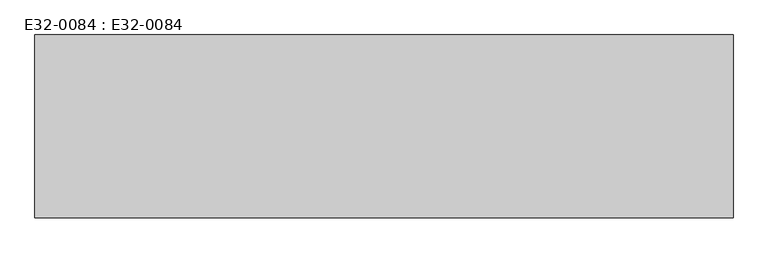
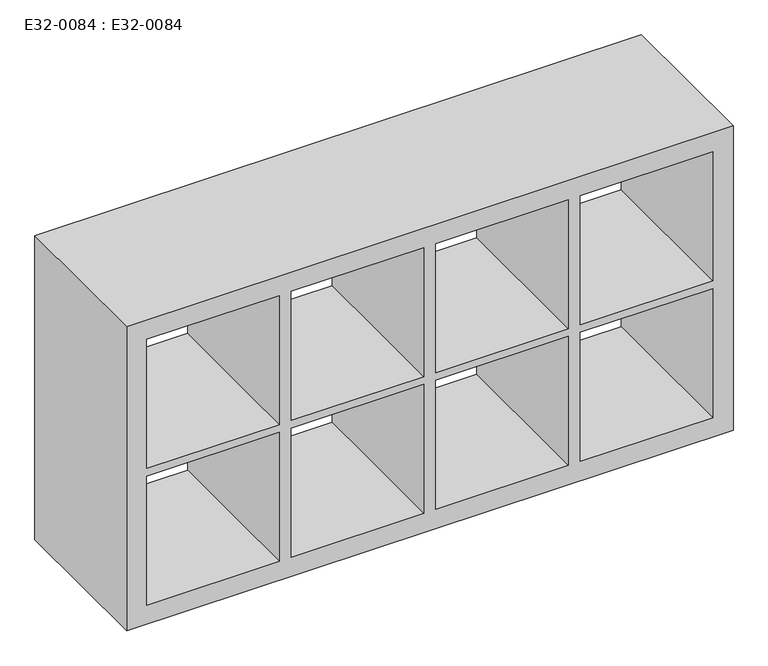
"""IFC4 building model written with IfcOpenShell, lengths in millimetres: furniture geometry, E32-0084 : E32-0084."""

import ifcopenshell
import ifcopenshell.guid

model = None  # the IFC model being written
_history = None  # IfcOwnerHistory: only IFC2X3 demands one
_inside = {}  # id of a spatial element -> (the spatial element, [elements in it])
_under = {}  # id of a project, library or spatial element -> (it, [spatial elements below it])
_declared = {}  # id of a project -> (the project, [libraries it declares])
_typed = {}  # id of a type object -> (the type object, [elements of that type])
_made_of = {}  # id of a material, layer set ... -> (it, [elements and type objects made of it])


def new_model(schema):
    """Start an empty IFC model of exactly this schema.

    Asked for "IFC4X3", IfcOpenShell would pick the latest addendum, in which some entities
    have other attributes; the version numbers below select the first issue.
    IFC2X3 requires an IfcOwnerHistory on every rooted entity: one is made here for all.
    """
    global model, _history
    if schema == "IFC4X3":
        model = ifcopenshell.file(schema_version=(4, 3, 0, 0))
    else:
        model = ifcopenshell.file(schema=schema)
    _inside.clear()
    _under.clear()
    _declared.clear()
    _typed.clear()
    _made_of.clear()
    _history = None
    if model.schema == "IFC2X3":
        org = make("IfcOrganization", Name="unknown")
        user = make(
            "IfcPersonAndOrganization",
            ThePerson=make("IfcPerson", FamilyName="unknown"),
            TheOrganization=org,
        )
        app = make(
            "IfcApplication",
            ApplicationDeveloper=org,
            Version="unknown",
            ApplicationFullName="unknown",
            ApplicationIdentifier="unknown",
        )
        _history = make(
            "IfcOwnerHistory",
            OwningUser=user,
            OwningApplication=app,
            ChangeAction="ADDED",
            CreationDate=0,
        )
    return model


def make(cls, **values):
    """One entity of the class cls with the attributes given. An attribute that is None is left unset."""
    return model.create_entity(
        cls, **{name: value for name, value in values.items() if value is not None}
    )


def rooted(cls, **values):
    """An entity with a GlobalId (a new one), such as an element, a storey or a relation."""
    return make(cls, GlobalId=ifcopenshell.guid.new(), OwnerHistory=_history, **values)


def si_unit(unit_type, name, prefix=None):
    """IfcSIUnit, for example si_unit("LENGTHUNIT", "METRE", prefix="MILLI")."""
    return make("IfcSIUnit", UnitType=unit_type, Prefix=prefix, Name=name)


def assignment(units):
    """IfcUnitAssignment: the units of a project."""
    return None if units is None else make("IfcUnitAssignment", Units=units)


def point(xyz):
    """IfcCartesianPoint."""
    return None if xyz is None else make("IfcCartesianPoint", Coordinates=xyz)


def direction(xyz):
    """IfcDirection."""
    return None if xyz is None else make("IfcDirection", DirectionRatios=xyz)


def frame(location, z_axis=None, x_axis=None):
    """IfcAxis2Placement3D, a coordinate frame: its origin and axes. An axis left out is left unset."""
    return make(
        "IfcAxis2Placement3D",
        Location=point(location),
        Axis=direction(z_axis),
        RefDirection=direction(x_axis),
    )


def origin():
    """The frame at (0, 0, 0) with its axes left unset."""
    return frame((0.0, 0.0, 0.0))


def place(relative_to, where):
    """IfcLocalPlacement: puts the frame where relative to a parent placement (None: the world)."""
    return make(
        "IfcLocalPlacement", PlacementRelTo=relative_to, RelativePlacement=where
    )


def context(
    kind, dimensions, precision=None, world=None, true_north=None, identifier=None
):
    """IfcGeometricRepresentationContext, for example the 3D "Model" context."""
    return make(
        "IfcGeometricRepresentationContext",
        ContextIdentifier=identifier,
        ContextType=kind,
        CoordinateSpaceDimension=dimensions,
        Precision=precision,
        WorldCoordinateSystem=world,
        TrueNorth=true_north,
    )


def project(units=None, contexts=None):
    """IfcProject with its units and contexts."""
    return rooted(
        "IfcProject",
        Name="project",
        RepresentationContexts=contexts,
        UnitsInContext=assignment(units),
    )


def spatial(cls, under=None, at=None, **own):
    """A site, building, storey or space (cls), placed at a placement, below another one or the project."""
    s = rooted(cls, ObjectPlacement=at, **own)
    if under is not None:
        _under.setdefault(under.id(), (under, []))[1].append(s)
    return s


def polyline(points):
    """IfcPolyline through the points."""
    return make("IfcPolyline", Points=[point(p) for p in points])


def outline(outer, holes=None, kind="AREA"):
    """IfcArbitraryClosedProfileDef: a profile drawn as a closed curve; with holes, ...WithVoids."""
    if holes is None:
        return make("IfcArbitraryClosedProfileDef", ProfileType=kind, OuterCurve=outer)
    return make(
        "IfcArbitraryProfileDefWithVoids",
        ProfileType=kind,
        OuterCurve=outer,
        InnerCurves=holes,
    )


def extrude(swept, where, along, depth):
    """IfcExtrudedAreaSolid: the profile swept, set in the frame where, extruded along a direction by depth."""
    return make(
        "IfcExtrudedAreaSolid",
        SweptArea=swept,
        Position=where,
        ExtrudedDirection=direction(along),
        Depth=depth,
    )


def shape(context_of_items, identifier, shape_type, items):
    """IfcShapeRepresentation: the items that make up one representation, for example the "Body"."""
    return make(
        "IfcShapeRepresentation",
        ContextOfItems=context_of_items,
        RepresentationIdentifier=identifier,
        RepresentationType=shape_type,
        Items=items,
    )


def source(mapping_origin, context_of_items, identifier, shape_type, items):
    """IfcRepresentationMap: a shape defined once, which mapped items show again and again."""
    return make(
        "IfcRepresentationMap",
        MappingOrigin=mapping_origin,
        MappedRepresentation=shape(context_of_items, identifier, shape_type, items),
    )


def transform(
    local_origin,
    x_axis=None,
    y_axis=None,
    z_axis=None,
    scale=None,
    scale2=None,
    scale3=None,
    uniform=True,
):
    """IfcCartesianTransformationOperator3D, or its non-uniform kind. x_axis, y_axis, z_axis: its Axis1, 2, 3."""
    if uniform:
        return make(
            "IfcCartesianTransformationOperator3D",
            Axis1=direction(x_axis),
            Axis2=direction(y_axis),
            LocalOrigin=point(local_origin),
            Scale=scale,
            Axis3=direction(z_axis),
        )
    return make(
        "IfcCartesianTransformationOperator3DnonUniform",
        Axis1=direction(x_axis),
        Axis2=direction(y_axis),
        LocalOrigin=point(local_origin),
        Scale=scale,
        Axis3=direction(z_axis),
        Scale2=scale2,
        Scale3=scale3,
    )


def mapped(mapping_source, mapping_target):
    """IfcMappedItem: shows the shape of a source again, moved by a transform."""
    return make(
        "IfcMappedItem", MappingSource=mapping_source, MappingTarget=mapping_target
    )


def made_of(thing, what):
    """Note that an element or type object is made of a material, layer set ...; save() writes the relation."""
    if what is not None:
        _made_of.setdefault(what.id(), (what, []))[1].append(thing)
    return thing


def element(
    cls,
    number,
    at=None,
    inside=None,
    cuts=None,
    type_object=None,
    material=None,
    context=None,
    identifier="Body",
    shape_type=None,
    held_by="IfcProductDefinitionShape",
    body=None,
    shapes=None,
    **own,
):
    """One element of the class cls, such as IfcWall. Its Tag is "e" and its number.

    at: its placement. inside: the storey or other place that contains it. cuts: it is an
    opening in that element (IfcRelVoidsElement). A single representation is given by context,
    identifier, shape_type and body (its items); several are given by shapes. held_by: the class
    of the entity that holds the representations. save() writes the other relations.
    """
    e = rooted(cls, Tag="e%d" % number, ObjectPlacement=at, **own)
    if body is not None:
        shapes = [shape(context, identifier, shape_type, body)]
    if shapes is not None:
        e.Representation = make(held_by, Representations=shapes)
    if inside is not None:
        _inside.setdefault(inside.id(), (inside, []))[1].append(e)
    if cuts is not None:
        rooted(
            "IfcRelVoidsElement", RelatingBuildingElement=cuts, RelatedOpeningElement=e
        )
    if type_object is not None:
        _typed.setdefault(type_object.id(), (type_object, []))[1].append(e)
    return made_of(e, material)


def aggregate(whole, parts):
    """IfcRelAggregates: a whole, such as a stair, and the parts it consists of."""
    return rooted("IfcRelAggregates", RelatingObject=whole, RelatedObjects=parts)


def save(model, path):
    """Write the relations noted so far, then the file.

    IfcRelAggregates (storeys below a building ...), IfcRelContainedInSpatialStructure (elements
    in a storey), IfcRelDefinesByType, IfcRelAssociatesMaterial and IfcRelDeclares: one each for
    every whole, place, type object, material and project.
    """
    for whole, parts in _under.values():
        aggregate(whole, parts)
    for where, things in _inside.values():
        rooted(
            "IfcRelContainedInSpatialStructure",
            RelatedElements=things,
            RelatingStructure=where,
        )
    for kind, things in _typed.values():
        rooted("IfcRelDefinesByType", RelatedObjects=things, RelatingType=kind)
    for what, things in _made_of.values():
        rooted("IfcRelAssociatesMaterial", RelatedObjects=things, RelatingMaterial=what)
    for by, libraries in _declared.values():
        rooted("IfcRelDeclares", RelatingContext=by, RelatedDefinitions=libraries)
    model.write(path)


def e32_0084_e32_0084_a1a77d2a(model_context):
    return source(origin(), model_context, "Body", "SweptSolid", [
        extrude(outline(polyline([(0.0, -745.0), (0.0, 745.0), (790.0, 745.0), (790.0, -745.0), (0.0, -745.0)]), holes=[polyline([(50.0, -15.0), (50.0, -340.0), (385.0, -340.0), (385.0, -15.0), (50.0, -15.0)]), polyline([(50.0, 695.0), (50.0, 370.0), (385.0, 370.0), (385.0, 695.0), (50.0, 695.0)]), polyline([(50.0, -695.0), (385.0, -695.0), (385.0, -370.0), (50.0, -370.0), (50.0, -695.0)]), polyline([(50.0, 15.0), (385.0, 15.0), (385.0, 340.0), (50.0, 340.0), (50.0, 15.0)]), polyline([(740.0, 15.0), (740.0, 340.0), (405.0, 340.0), (405.0, 15.0), (740.0, 15.0)]), polyline([(740.0, -695.0), (740.0, -370.0), (405.0, -370.0), (405.0, -695.0), (740.0, -695.0)]), polyline([(740.0, 695.0), (405.0, 695.0), (405.0, 370.0), (740.0, 370.0), (740.0, 695.0)]), polyline([(740.0, -15.0), (405.0, -15.0), (405.0, -340.0), (740.0, -340.0), (740.0, -15.0)])]), frame((0.0, -390.0, 0.0), z_axis=(0.0, 1.0, 0.0), x_axis=(0.0, 0.0, 1.0)), (0.0, 0.0, 1.0), 390.0),
    ])


if __name__ == "__main__":
    model = new_model("IFC4")
    model_context = context("Model", 3, world=origin())
    ifc_project = project(units=[si_unit("LENGTHUNIT", "METRE", prefix="MILLI")], contexts=[model_context])
    site = spatial("IfcSite", under=ifc_project)
    building = spatial("IfcBuilding", under=site)
    placement = place(None, origin())
    e32_0084_e32_0084_shape = e32_0084_e32_0084_a1a77d2a(model_context)
    element("IfcFurniture", 1, ObjectType="E32-0084 : E32-0084", at=placement, inside=building, context=model_context, shape_type="MappedRepresentation", body=[
        mapped(e32_0084_e32_0084_shape, transform((0.0, 0.0, 0.0), x_axis=(1.0, 0.0, 0.0), y_axis=(0.0, 1.0, 0.0), z_axis=(0.0, 0.0, 1.0))),
    ])
    save(model, "model.ifc")
